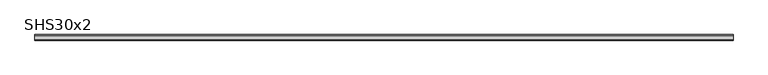
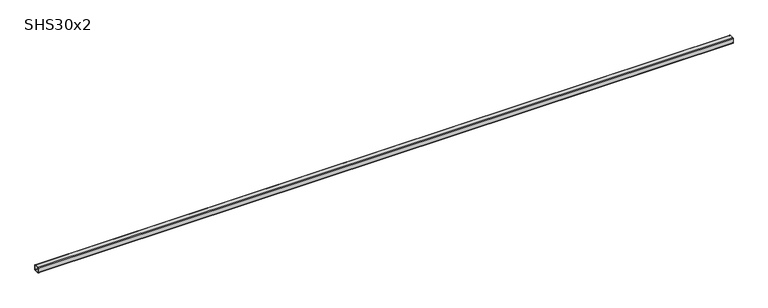
"""IFC4 building model written with IfcOpenShell, lengths in millimetres: beam geometry, SHS30x2."""

from ifc_helpers import new_model, si_unit, point, frame, frame_2d, origin, place, context, project, spatial, polyline, circle_curve, trimmed, segment, composite_curve, outline, extrude, source, transform, mapped, element, save


def shs30x2_0b41db9c(model_context):
    return source(origin(), model_context, "Body", "SweptSolid", [
        extrude(outline(composite_curve([segment(polyline([(15.0, 11.0), (15.0, -11.0)]), True, "CONTINUOUS"), segment(trimmed(circle_curve(frame_2d((11.0, -11.0)), 4.0), [point((15.0, -11.0))], [point((11.0, -15.0))], False, "CARTESIAN"), True, "CONTINUOUS"), segment(polyline([(11.0, -15.0), (-11.0, -15.0)]), True, "CONTINUOUS"), segment(trimmed(circle_curve(frame_2d((-11.0, -11.0)), 4.0), [point((-11.0, -15.0))], [point((-15.0, -11.0))], False, "CARTESIAN"), True, "CONTINUOUS"), segment(polyline([(-15.0, -11.0), (-15.0, 11.0)]), True, "CONTINUOUS"), segment(trimmed(circle_curve(frame_2d((-11.0, 11.0)), 4.0), [point((-15.0, 11.0))], [point((-11.0, 15.0))], False, "CARTESIAN"), True, "CONTINUOUS"), segment(polyline([(-11.0, 15.0), (11.0, 15.0)]), True, "CONTINUOUS"), segment(trimmed(circle_curve(frame_2d((11.0, 11.0)), 4.0), [point((11.0, 15.0))], [point((15.0, 11.0))], False, "CARTESIAN"), True, "CONTINUOUS")], self_intersect=False), holes=[composite_curve([segment(trimmed(circle_curve(frame_2d((-11.0, 11.0)), 2.0), [point((-11.0, 13.0))], [point((-13.0, 11.0))], True, "CARTESIAN"), True, "CONTINUOUS"), segment(polyline([(-13.0, 11.0), (-13.0, -11.0)]), True, "CONTINUOUS"), segment(trimmed(circle_curve(frame_2d((-11.0, -11.0)), 2.0), [point((-13.0, -11.0))], [point((-11.0, -13.0))], True, "CARTESIAN"), True, "CONTINUOUS"), segment(polyline([(-11.0, -13.0), (11.0, -13.0)]), True, "CONTINUOUS"), segment(trimmed(circle_curve(frame_2d((11.0, -11.0)), 2.0), [point((11.0, -13.0))], [point((13.0, -11.0))], True, "CARTESIAN"), True, "CONTINUOUS"), segment(polyline([(13.0, -11.0), (13.0, 11.0)]), True, "CONTINUOUS"), segment(trimmed(circle_curve(frame_2d((11.0, 11.0)), 2.0), [point((13.0, 11.0))], [point((11.0, 13.0))], True, "CARTESIAN"), True, "CONTINUOUS"), segment(polyline([(11.0, 13.0), (-11.0, 13.0)]), True, "CONTINUOUS")], self_intersect=False)]), frame((-1814.5, 0.0, 0.0), z_axis=(1.0, 0.0, 0.0), x_axis=(0.0, 1.0, 0.0)), (0.0, 0.0, 1.0), 3709.0),
    ])


if __name__ == "__main__":
    model = new_model("IFC4")
    model_context = context("Model", 3, world=origin())
    ifc_project = project(units=[si_unit("LENGTHUNIT", "METRE", prefix="MILLI")], contexts=[model_context])
    site = spatial("IfcSite", under=ifc_project)
    building = spatial("IfcBuilding", under=site)
    placement = place(None, origin())
    shs30x2_shape = shs30x2_0b41db9c(model_context)
    element("IfcBeam", 1, ObjectType="SHS30x2", at=placement, inside=building, context=model_context, shape_type="MappedRepresentation", body=[
        mapped(shs30x2_shape, transform((0.0, 0.0, 0.0), x_axis=(1.0, 0.0, 0.0), y_axis=(0.0, 1.0, 0.0), z_axis=(0.0, 0.0, 1.0))),
    ])
    save(model, "model.ifc")
